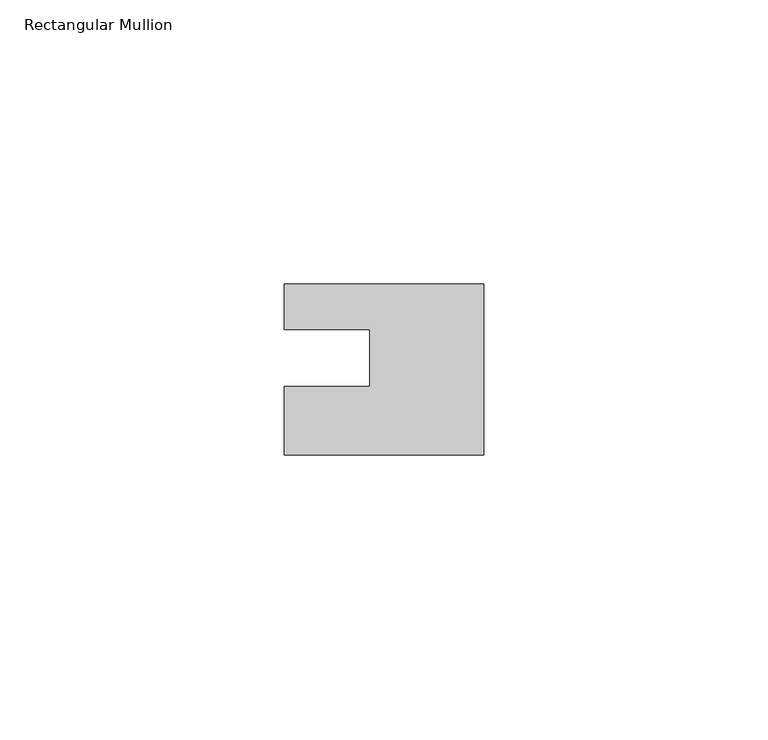
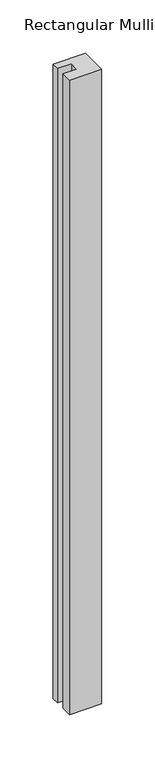
"""IFC4 building model written with IfcOpenShell, lengths in millimetres: member geometry, Rectangular Mullion."""

import ifcopenshell
import ifcopenshell.guid

model = None  # the IFC model being written
_history = None  # IfcOwnerHistory: only IFC2X3 demands one
_inside = {}  # id of a spatial element -> (the spatial element, [elements in it])
_under = {}  # id of a project, library or spatial element -> (it, [spatial elements below it])
_declared = {}  # id of a project -> (the project, [libraries it declares])
_typed = {}  # id of a type object -> (the type object, [elements of that type])
_made_of = {}  # id of a material, layer set ... -> (it, [elements and type objects made of it])


def new_model(schema):
    """Start an empty IFC model of exactly this schema.

    Asked for "IFC4X3", IfcOpenShell would pick the latest addendum, in which some entities
    have other attributes; the version numbers below select the first issue.
    IFC2X3 requires an IfcOwnerHistory on every rooted entity: one is made here for all.
    """
    global model, _history
    if schema == "IFC4X3":
        model = ifcopenshell.file(schema_version=(4, 3, 0, 0))
    else:
        model = ifcopenshell.file(schema=schema)
    _inside.clear()
    _under.clear()
    _declared.clear()
    _typed.clear()
    _made_of.clear()
    _history = None
    if model.schema == "IFC2X3":
        org = make("IfcOrganization", Name="unknown")
        user = make(
            "IfcPersonAndOrganization",
            ThePerson=make("IfcPerson", FamilyName="unknown"),
            TheOrganization=org,
        )
        app = make(
            "IfcApplication",
            ApplicationDeveloper=org,
            Version="unknown",
            ApplicationFullName="unknown",
            ApplicationIdentifier="unknown",
        )
        _history = make(
            "IfcOwnerHistory",
            OwningUser=user,
            OwningApplication=app,
            ChangeAction="ADDED",
            CreationDate=0,
        )
    return model


def make(cls, **values):
    """One entity of the class cls with the attributes given. An attribute that is None is left unset."""
    return model.create_entity(
        cls, **{name: value for name, value in values.items() if value is not None}
    )


def rooted(cls, **values):
    """An entity with a GlobalId (a new one), such as an element, a storey or a relation."""
    return make(cls, GlobalId=ifcopenshell.guid.new(), OwnerHistory=_history, **values)


def si_unit(unit_type, name, prefix=None):
    """IfcSIUnit, for example si_unit("LENGTHUNIT", "METRE", prefix="MILLI")."""
    return make("IfcSIUnit", UnitType=unit_type, Prefix=prefix, Name=name)


def assignment(units):
    """IfcUnitAssignment: the units of a project."""
    return None if units is None else make("IfcUnitAssignment", Units=units)


def point(xyz):
    """IfcCartesianPoint."""
    return None if xyz is None else make("IfcCartesianPoint", Coordinates=xyz)


def direction(xyz):
    """IfcDirection."""
    return None if xyz is None else make("IfcDirection", DirectionRatios=xyz)


def frame(location, z_axis=None, x_axis=None):
    """IfcAxis2Placement3D, a coordinate frame: its origin and axes. An axis left out is left unset."""
    return make(
        "IfcAxis2Placement3D",
        Location=point(location),
        Axis=direction(z_axis),
        RefDirection=direction(x_axis),
    )


def origin():
    """The frame at (0, 0, 0) with its axes left unset."""
    return frame((0.0, 0.0, 0.0))


def place(relative_to, where):
    """IfcLocalPlacement: puts the frame where relative to a parent placement (None: the world)."""
    return make(
        "IfcLocalPlacement", PlacementRelTo=relative_to, RelativePlacement=where
    )


def context(
    kind, dimensions, precision=None, world=None, true_north=None, identifier=None
):
    """IfcGeometricRepresentationContext, for example the 3D "Model" context."""
    return make(
        "IfcGeometricRepresentationContext",
        ContextIdentifier=identifier,
        ContextType=kind,
        CoordinateSpaceDimension=dimensions,
        Precision=precision,
        WorldCoordinateSystem=world,
        TrueNorth=true_north,
    )


def project(units=None, contexts=None):
    """IfcProject with its units and contexts."""
    return rooted(
        "IfcProject",
        Name="project",
        RepresentationContexts=contexts,
        UnitsInContext=assignment(units),
    )


def spatial(cls, under=None, at=None, **own):
    """A site, building, storey or space (cls), placed at a placement, below another one or the project."""
    s = rooted(cls, ObjectPlacement=at, **own)
    if under is not None:
        _under.setdefault(under.id(), (under, []))[1].append(s)
    return s


def polyline(points):
    """IfcPolyline through the points."""
    return make("IfcPolyline", Points=[point(p) for p in points])


def outline(outer, holes=None, kind="AREA"):
    """IfcArbitraryClosedProfileDef: a profile drawn as a closed curve; with holes, ...WithVoids."""
    if holes is None:
        return make("IfcArbitraryClosedProfileDef", ProfileType=kind, OuterCurve=outer)
    return make(
        "IfcArbitraryProfileDefWithVoids",
        ProfileType=kind,
        OuterCurve=outer,
        InnerCurves=holes,
    )


def extrude(swept, where, along, depth):
    """IfcExtrudedAreaSolid: the profile swept, set in the frame where, extruded along a direction by depth."""
    return make(
        "IfcExtrudedAreaSolid",
        SweptArea=swept,
        Position=where,
        ExtrudedDirection=direction(along),
        Depth=depth,
    )


def shape(context_of_items, identifier, shape_type, items):
    """IfcShapeRepresentation: the items that make up one representation, for example the "Body"."""
    return make(
        "IfcShapeRepresentation",
        ContextOfItems=context_of_items,
        RepresentationIdentifier=identifier,
        RepresentationType=shape_type,
        Items=items,
    )


def source(mapping_origin, context_of_items, identifier, shape_type, items):
    """IfcRepresentationMap: a shape defined once, which mapped items show again and again."""
    return make(
        "IfcRepresentationMap",
        MappingOrigin=mapping_origin,
        MappedRepresentation=shape(context_of_items, identifier, shape_type, items),
    )


def transform(
    local_origin,
    x_axis=None,
    y_axis=None,
    z_axis=None,
    scale=None,
    scale2=None,
    scale3=None,
    uniform=True,
):
    """IfcCartesianTransformationOperator3D, or its non-uniform kind. x_axis, y_axis, z_axis: its Axis1, 2, 3."""
    if uniform:
        return make(
            "IfcCartesianTransformationOperator3D",
            Axis1=direction(x_axis),
            Axis2=direction(y_axis),
            LocalOrigin=point(local_origin),
            Scale=scale,
            Axis3=direction(z_axis),
        )
    return make(
        "IfcCartesianTransformationOperator3DnonUniform",
        Axis1=direction(x_axis),
        Axis2=direction(y_axis),
        LocalOrigin=point(local_origin),
        Scale=scale,
        Axis3=direction(z_axis),
        Scale2=scale2,
        Scale3=scale3,
    )


def mapped(mapping_source, mapping_target):
    """IfcMappedItem: shows the shape of a source again, moved by a transform."""
    return make(
        "IfcMappedItem", MappingSource=mapping_source, MappingTarget=mapping_target
    )


def made_of(thing, what):
    """Note that an element or type object is made of a material, layer set ...; save() writes the relation."""
    if what is not None:
        _made_of.setdefault(what.id(), (what, []))[1].append(thing)
    return thing


def element(
    cls,
    number,
    at=None,
    inside=None,
    cuts=None,
    type_object=None,
    material=None,
    context=None,
    identifier="Body",
    shape_type=None,
    held_by="IfcProductDefinitionShape",
    body=None,
    shapes=None,
    **own,
):
    """One element of the class cls, such as IfcWall. Its Tag is "e" and its number.

    at: its placement. inside: the storey or other place that contains it. cuts: it is an
    opening in that element (IfcRelVoidsElement). A single representation is given by context,
    identifier, shape_type and body (its items); several are given by shapes. held_by: the class
    of the entity that holds the representations. save() writes the other relations.
    """
    e = rooted(cls, Tag="e%d" % number, ObjectPlacement=at, **own)
    if body is not None:
        shapes = [shape(context, identifier, shape_type, body)]
    if shapes is not None:
        e.Representation = make(held_by, Representations=shapes)
    if inside is not None:
        _inside.setdefault(inside.id(), (inside, []))[1].append(e)
    if cuts is not None:
        rooted(
            "IfcRelVoidsElement", RelatingBuildingElement=cuts, RelatedOpeningElement=e
        )
    if type_object is not None:
        _typed.setdefault(type_object.id(), (type_object, []))[1].append(e)
    return made_of(e, material)


def aggregate(whole, parts):
    """IfcRelAggregates: a whole, such as a stair, and the parts it consists of."""
    return rooted("IfcRelAggregates", RelatingObject=whole, RelatedObjects=parts)


def save(model, path):
    """Write the relations noted so far, then the file.

    IfcRelAggregates (storeys below a building ...), IfcRelContainedInSpatialStructure (elements
    in a storey), IfcRelDefinesByType, IfcRelAssociatesMaterial and IfcRelDeclares: one each for
    every whole, place, type object, material and project.
    """
    for whole, parts in _under.values():
        aggregate(whole, parts)
    for where, things in _inside.values():
        rooted(
            "IfcRelContainedInSpatialStructure",
            RelatedElements=things,
            RelatingStructure=where,
        )
    for kind, things in _typed.values():
        rooted("IfcRelDefinesByType", RelatedObjects=things, RelatingType=kind)
    for what, things in _made_of.values():
        rooted("IfcRelAssociatesMaterial", RelatedObjects=things, RelatingMaterial=what)
    for by, libraries in _declared.values():
        rooted("IfcRelDeclares", RelatingContext=by, RelatedDefinitions=libraries)
    model.write(path)


def rectangular_mullion_e9bf11d7(model_context):
    return source(origin(), model_context, "Body", "SweptSolid", [
        extrude(outline(polyline([(0.0, 7.94), (0.0, -22.06), (-35.0, -22.06), (-35.0, -10.0), (-20.0, -10.0), (-20.0, 0.001), (-35.0, 0.001), (-35.0, 7.94), (0.0, 7.94)])), frame((0.0, 0.0, -724.1036395), z_axis=(0.0, 0.0, 1.0), x_axis=(1.0, 0.0, 0.0)), (0.0, 0.0, 1.0), 724.1036395),
    ])


if __name__ == "__main__":
    model = new_model("IFC4")
    model_context = context("Model", 3, world=origin())
    ifc_project = project(units=[si_unit("LENGTHUNIT", "METRE", prefix="MILLI")], contexts=[model_context])
    site = spatial("IfcSite", under=ifc_project)
    building = spatial("IfcBuilding", under=site)
    placement = place(None, origin())
    rectangular_mullion_shape = rectangular_mullion_e9bf11d7(model_context)
    element("IfcMember", 1, ObjectType="Rectangular Mullion", at=placement, inside=building, context=model_context, shape_type="MappedRepresentation", body=[
        mapped(rectangular_mullion_shape, transform((0.0, 0.0, 0.0), x_axis=(1.0, 0.0, 0.0), y_axis=(0.0, 1.0, 0.0), z_axis=(0.0, 0.0, 1.0))),
    ])
    save(model, "model.ifc")
